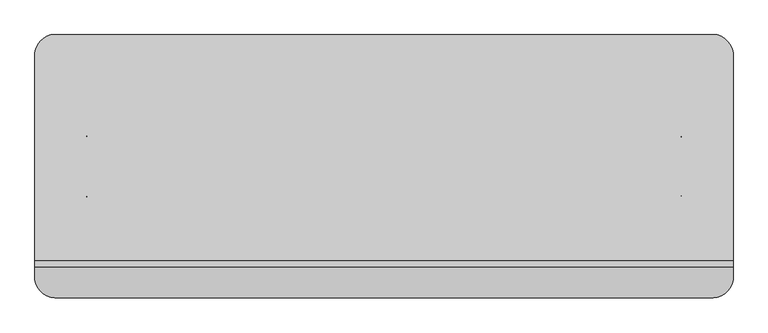
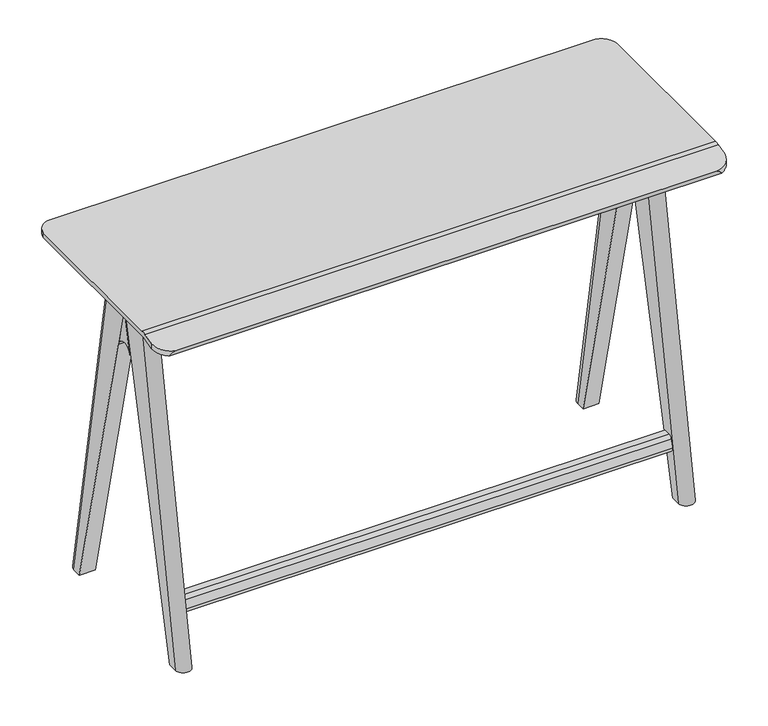
"""IFC4 building model written with IfcOpenShell, lengths in millimetres: furniture geometry."""

import ifcopenshell
import ifcopenshell.guid

model = None  # the IFC model being written
_history = None  # IfcOwnerHistory: only IFC2X3 demands one
_inside = {}  # id of a spatial element -> (the spatial element, [elements in it])
_under = {}  # id of a project, library or spatial element -> (it, [spatial elements below it])
_declared = {}  # id of a project -> (the project, [libraries it declares])
_typed = {}  # id of a type object -> (the type object, [elements of that type])
_made_of = {}  # id of a material, layer set ... -> (it, [elements and type objects made of it])


def new_model(schema):
    """Start an empty IFC model of exactly this schema.

    Asked for "IFC4X3", IfcOpenShell would pick the latest addendum, in which some entities
    have other attributes; the version numbers below select the first issue.
    IFC2X3 requires an IfcOwnerHistory on every rooted entity: one is made here for all.
    """
    global model, _history
    if schema == "IFC4X3":
        model = ifcopenshell.file(schema_version=(4, 3, 0, 0))
    else:
        model = ifcopenshell.file(schema=schema)
    _inside.clear()
    _under.clear()
    _declared.clear()
    _typed.clear()
    _made_of.clear()
    _history = None
    if model.schema == "IFC2X3":
        org = make("IfcOrganization", Name="unknown")
        user = make(
            "IfcPersonAndOrganization",
            ThePerson=make("IfcPerson", FamilyName="unknown"),
            TheOrganization=org,
        )
        app = make(
            "IfcApplication",
            ApplicationDeveloper=org,
            Version="unknown",
            ApplicationFullName="unknown",
            ApplicationIdentifier="unknown",
        )
        _history = make(
            "IfcOwnerHistory",
            OwningUser=user,
            OwningApplication=app,
            ChangeAction="ADDED",
            CreationDate=0,
        )
    return model


def make(cls, **values):
    """One entity of the class cls with the attributes given. An attribute that is None is left unset."""
    return model.create_entity(
        cls, **{name: value for name, value in values.items() if value is not None}
    )


def rooted(cls, **values):
    """An entity with a GlobalId (a new one), such as an element, a storey or a relation."""
    return make(cls, GlobalId=ifcopenshell.guid.new(), OwnerHistory=_history, **values)


def si_unit(unit_type, name, prefix=None):
    """IfcSIUnit, for example si_unit("LENGTHUNIT", "METRE", prefix="MILLI")."""
    return make("IfcSIUnit", UnitType=unit_type, Prefix=prefix, Name=name)


def assignment(units):
    """IfcUnitAssignment: the units of a project."""
    return None if units is None else make("IfcUnitAssignment", Units=units)


def point(xyz):
    """IfcCartesianPoint."""
    return None if xyz is None else make("IfcCartesianPoint", Coordinates=xyz)


def direction(xyz):
    """IfcDirection."""
    return None if xyz is None else make("IfcDirection", DirectionRatios=xyz)


def frame(location, z_axis=None, x_axis=None):
    """IfcAxis2Placement3D, a coordinate frame: its origin and axes. An axis left out is left unset."""
    return make(
        "IfcAxis2Placement3D",
        Location=point(location),
        Axis=direction(z_axis),
        RefDirection=direction(x_axis),
    )


def frame_2d(location, x_axis=None):
    """IfcAxis2Placement2D, a coordinate frame in the plane: its origin and x axis."""
    return make(
        "IfcAxis2Placement2D", Location=point(location), RefDirection=direction(x_axis)
    )


def origin():
    """The frame at (0, 0, 0) with its axes left unset."""
    return frame((0.0, 0.0, 0.0))


def place(relative_to, where):
    """IfcLocalPlacement: puts the frame where relative to a parent placement (None: the world)."""
    return make(
        "IfcLocalPlacement", PlacementRelTo=relative_to, RelativePlacement=where
    )


def context(
    kind, dimensions, precision=None, world=None, true_north=None, identifier=None
):
    """IfcGeometricRepresentationContext, for example the 3D "Model" context."""
    return make(
        "IfcGeometricRepresentationContext",
        ContextIdentifier=identifier,
        ContextType=kind,
        CoordinateSpaceDimension=dimensions,
        Precision=precision,
        WorldCoordinateSystem=world,
        TrueNorth=true_north,
    )


def project(units=None, contexts=None):
    """IfcProject with its units and contexts."""
    return rooted(
        "IfcProject",
        Name="project",
        RepresentationContexts=contexts,
        UnitsInContext=assignment(units),
    )


def spatial(cls, under=None, at=None, **own):
    """A site, building, storey or space (cls), placed at a placement, below another one or the project."""
    s = rooted(cls, ObjectPlacement=at, **own)
    if under is not None:
        _under.setdefault(under.id(), (under, []))[1].append(s)
    return s


def polyline(points):
    """IfcPolyline through the points."""
    return make("IfcPolyline", Points=[point(p) for p in points])


def circle_curve(where, radius):
    """IfcCircle in the frame where."""
    return make("IfcCircle", Position=where, Radius=radius)


def ellipse_curve(where, semi_axis1, semi_axis2):
    """IfcEllipse in the frame where."""
    return make(
        "IfcEllipse", Position=where, SemiAxis1=semi_axis1, SemiAxis2=semi_axis2
    )


def trimmed(basis, trim1, trim2, sense, master):
    """IfcTrimmedCurve: the piece of a basis curve between two trims."""
    return make(
        "IfcTrimmedCurve",
        BasisCurve=basis,
        Trim1=trim1,
        Trim2=trim2,
        SenseAgreement=sense,
        MasterRepresentation=master,
    )


def segment(curve, same_sense, transition):
    """IfcCompositeCurveSegment."""
    return make(
        "IfcCompositeCurveSegment",
        Transition=transition,
        SameSense=same_sense,
        ParentCurve=curve,
    )


def composite_curve(segments, self_intersect=None):
    """IfcCompositeCurve: segments joined end to end."""
    return make("IfcCompositeCurve", Segments=segments, SelfIntersect=self_intersect)


def outline(outer, holes=None, kind="AREA"):
    """IfcArbitraryClosedProfileDef: a profile drawn as a closed curve; with holes, ...WithVoids."""
    if holes is None:
        return make("IfcArbitraryClosedProfileDef", ProfileType=kind, OuterCurve=outer)
    return make(
        "IfcArbitraryProfileDefWithVoids",
        ProfileType=kind,
        OuterCurve=outer,
        InnerCurves=holes,
    )


def extrude(swept, where, along, depth):
    """IfcExtrudedAreaSolid: the profile swept, set in the frame where, extruded along a direction by depth."""
    return make(
        "IfcExtrudedAreaSolid",
        SweptArea=swept,
        Position=where,
        ExtrudedDirection=direction(along),
        Depth=depth,
    )


def shape(context_of_items, identifier, shape_type, items):
    """IfcShapeRepresentation: the items that make up one representation, for example the "Body"."""
    return make(
        "IfcShapeRepresentation",
        ContextOfItems=context_of_items,
        RepresentationIdentifier=identifier,
        RepresentationType=shape_type,
        Items=items,
    )


def source(mapping_origin, context_of_items, identifier, shape_type, items):
    """IfcRepresentationMap: a shape defined once, which mapped items show again and again."""
    return make(
        "IfcRepresentationMap",
        MappingOrigin=mapping_origin,
        MappedRepresentation=shape(context_of_items, identifier, shape_type, items),
    )


def transform(
    local_origin,
    x_axis=None,
    y_axis=None,
    z_axis=None,
    scale=None,
    scale2=None,
    scale3=None,
    uniform=True,
):
    """IfcCartesianTransformationOperator3D, or its non-uniform kind. x_axis, y_axis, z_axis: its Axis1, 2, 3."""
    if uniform:
        return make(
            "IfcCartesianTransformationOperator3D",
            Axis1=direction(x_axis),
            Axis2=direction(y_axis),
            LocalOrigin=point(local_origin),
            Scale=scale,
            Axis3=direction(z_axis),
        )
    return make(
        "IfcCartesianTransformationOperator3DnonUniform",
        Axis1=direction(x_axis),
        Axis2=direction(y_axis),
        LocalOrigin=point(local_origin),
        Scale=scale,
        Axis3=direction(z_axis),
        Scale2=scale2,
        Scale3=scale3,
    )


def mapped(mapping_source, mapping_target):
    """IfcMappedItem: shows the shape of a source again, moved by a transform."""
    return make(
        "IfcMappedItem", MappingSource=mapping_source, MappingTarget=mapping_target
    )


def made_of(thing, what):
    """Note that an element or type object is made of a material, layer set ...; save() writes the relation."""
    if what is not None:
        _made_of.setdefault(what.id(), (what, []))[1].append(thing)
    return thing


def element(
    cls,
    number,
    at=None,
    inside=None,
    cuts=None,
    type_object=None,
    material=None,
    context=None,
    identifier="Body",
    shape_type=None,
    held_by="IfcProductDefinitionShape",
    body=None,
    shapes=None,
    **own,
):
    """One element of the class cls, such as IfcWall. Its Tag is "e" and its number.

    at: its placement. inside: the storey or other place that contains it. cuts: it is an
    opening in that element (IfcRelVoidsElement). A single representation is given by context,
    identifier, shape_type and body (its items); several are given by shapes. held_by: the class
    of the entity that holds the representations. save() writes the other relations.
    """
    e = rooted(cls, Tag="e%d" % number, ObjectPlacement=at, **own)
    if body is not None:
        shapes = [shape(context, identifier, shape_type, body)]
    if shapes is not None:
        e.Representation = make(held_by, Representations=shapes)
    if inside is not None:
        _inside.setdefault(inside.id(), (inside, []))[1].append(e)
    if cuts is not None:
        rooted(
            "IfcRelVoidsElement", RelatingBuildingElement=cuts, RelatedOpeningElement=e
        )
    if type_object is not None:
        _typed.setdefault(type_object.id(), (type_object, []))[1].append(e)
    return made_of(e, material)


def aggregate(whole, parts):
    """IfcRelAggregates: a whole, such as a stair, and the parts it consists of."""
    return rooted("IfcRelAggregates", RelatingObject=whole, RelatedObjects=parts)


def save(model, path):
    """Write the relations noted so far, then the file.

    IfcRelAggregates (storeys below a building ...), IfcRelContainedInSpatialStructure (elements
    in a storey), IfcRelDefinesByType, IfcRelAssociatesMaterial and IfcRelDeclares: one each for
    every whole, place, type object, material and project.
    """
    for whole, parts in _under.values():
        aggregate(whole, parts)
    for where, things in _inside.values():
        rooted(
            "IfcRelContainedInSpatialStructure",
            RelatedElements=things,
            RelatingStructure=where,
        )
    for kind, things in _typed.values():
        rooted("IfcRelDefinesByType", RelatedObjects=things, RelatingType=kind)
    for what, things in _made_of.values():
        rooted("IfcRelAssociatesMaterial", RelatedObjects=things, RelatingMaterial=what)
    for by, libraries in _declared.values():
        rooted("IfcRelDeclares", RelatingContext=by, RelatedDefinitions=libraries)
    model.write(path)


def plane_surface(at):
    """IfcPlane: the flat surface through the origin of the frame at, square to its z axis."""
    return make("IfcPlane", Position=at)


def cylinder_surface(at, radius):
    """IfcCylindricalSurface: all points at the distance radius from the z axis of the frame at."""
    return make("IfcCylindricalSurface", Position=at, Radius=radius)


def revolved_surface(curve, axis_point, axis_direction):
    """IfcSurfaceOfRevolution: the curve turned about the line through axis_point along axis_direction."""
    return make(
        "IfcSurfaceOfRevolution",
        SweptCurve=make("IfcArbitraryOpenProfileDef", ProfileType="CURVE", Curve=curve),
        AxisPosition=make("IfcAxis1Placement", Location=point(axis_point), Axis=direction(axis_direction)),
    )


def extruded_surface(curve, direction_of_extrusion, depth):
    """IfcSurfaceOfLinearExtrusion: the curve pushed along a direction by depth."""
    return make(
        "IfcSurfaceOfLinearExtrusion",
        SweptCurve=make("IfcArbitraryOpenProfileDef", ProfileType="CURVE", Curve=curve),
        ExtrudedDirection=direction(direction_of_extrusion),
        Depth=depth,
    )


def advanced_brep(points, edges, surfaces, faces):
    """IfcAdvancedBrep: a solid bounded by faces that lie on surfaces and meet in shared edges.

    An edge is (start, end): straight between two places in points (the first is 0);
    or (start, end, curve); or (start, end, curve, False) where it runs against its curve.
    A face is (place in surfaces, loops), or (place, loops, False) where it looks against
    its surface's normal. A loop lists edges by number (the first is 1), with a minus sign
    where the edge is run from its end to its start. The first loop is the outer one.
    """
    corners = [point(p) for p in points]
    vertices = [make("IfcVertexPoint", VertexGeometry=c) for c in corners]
    made = []
    for start, end, *more in edges:
        made.append(
            make(
                "IfcEdgeCurve",
                EdgeStart=vertices[start],
                EdgeEnd=vertices[end],
                EdgeGeometry=more[0] if more else make("IfcPolyline", Points=[corners[start], corners[end]]),
                SameSense=more[1] if len(more) > 1 else True,
            )
        )
    hull = []
    for where, loops, *sense in faces:
        bounds = []
        for j, loop in enumerate(loops):
            ring = [make("IfcOrientedEdge", EdgeElement=made[abs(k) - 1], Orientation=k > 0) for k in loop]
            bounds.append(
                make(
                    "IfcFaceOuterBound" if j == 0 else "IfcFaceBound",
                    Bound=make("IfcEdgeLoop", EdgeList=ring),
                    Orientation=True,
                )
            )
        hull.append(make("IfcAdvancedFace", Bounds=bounds, FaceSurface=surfaces[where], SameSense=sense[0] if sense else True))
    return make("IfcAdvancedBrep", Outer=make("IfcClosedShell", CfsFaces=hull))


def furniture_6501cc0c(model_context):
    return source(origin(), model_context, "Body", "SolidModel", [
        advanced_brep(
        [(655.3200291, 57.0176623, 897.8989601), (615.9499758, 57.0176623, 897.8989601), (615.9499758, -65.0775438, 897.8989601), (655.3200291, -65.0775438, 897.8989601), (655.3200291, 191.9189393, 0.0), (615.9499758, 191.9189393, 0.0), (615.9499758, 216.1994703, 0.0), (655.3200291, 216.1994703, 0.0), (655.3200291, -224.2593519, 0.0), (655.3200291, -199.9788209, 0.0), (655.3200291, -4.0299408, 833.4496984), (615.9499758, -4.0299408, 833.4496984), (615.9499758, -199.9788209, 0.0), (615.9499758, -224.2593519, 0.0)],
        [
            (0, 1, circle_curve(frame((635.6350024, 57.0176623, 897.8989601), z_axis=(0.0, 0.0, 1.0), x_axis=(1.0, 0.0, 0.0)), 19.6850266)),
            (1, 2),
            (2, 3, circle_curve(frame((635.6350024, -65.0775438, 897.8989601), z_axis=(0.0, 0.0, 1.0), x_axis=(1.0, 0.0, 0.0)), 19.6850266)),
            (3, 0),
            (4, 5),
            (5, 6),
            (6, 7, circle_curve(frame((635.6350024, 216.1994703, 0.0), z_axis=(0.0, 0.0, -1.0), x_axis=(1.0, 0.0, 0.0)), 19.6850266)),
            (7, 4),
            (7, 0),
            (3, 8),
            (8, 9),
            (9, 10),
            (10, 4),
            (6, 1),
            (5, 11),
            (11, 12),
            (12, 13),
            (13, 2),
            (10, 11),
            (8, 13, circle_curve(frame((635.6350024, -224.2593519, 0.0), z_axis=(0.0, 0.0, -1.0), x_axis=(1.0, 0.0, 0.0)), 19.6850266)),
            (12, 9),
        ],
        [
            plane_surface(frame((635.6350024, 18.9176623, 897.8989601), z_axis=(0.0, 0.0, 1.0), x_axis=(0.0, 1.0, 0.0))),
            plane_surface(frame((635.6350024, 204.0592048, 0.0), z_axis=(0.0, 0.0, -1.0), x_axis=(0.0, 1.0, 0.0))),
            plane_surface(frame((655.3200291, 204.0592048, 0.0), z_axis=(1.0, 0.0, 0.0), x_axis=(0.0, 1.0, 0.0))),
            extruded_surface(trimmed(circle_curve(frame((635.6350024, 216.1994703, 0.0), z_axis=(0.0, 0.0, 1.0), x_axis=(1.0, 0.0, 0.0)), 19.6850266), [point((655.3200291, 216.1994703, 0.0))], [point((615.9499758, 216.1994703, 0.0))], True, "CARTESIAN"), (0.0, -159.181808, 897.8989601), 911.8998796725494),
            plane_surface(frame((615.9499758, 204.0592048, 0.0), z_axis=(-1.0, 0.0, 0.0), x_axis=(0.0, -1.0, 0.0))),
            plane_surface(frame((635.6350024, 191.9189393, 0.0), z_axis=(0.0, -0.9734580183054018, -0.2288656518504253), x_axis=(1.0, 0.0, 0.0))),
            plane_surface(frame((635.6350024, -212.1190864, 0.0), z_axis=(0.0, 0.0, -1.0), x_axis=(0.0, 1.0, 0.0))),
            extruded_surface(trimmed(circle_curve(frame((635.6350024, -224.2593519, 0.0), z_axis=(0.0, 0.0, 1.0), x_axis=(1.0, 0.0, 0.0)), 19.6850266), [point((615.9499758, -224.2593519, 0.0))], [point((655.3200291, -224.2593519, 0.0))], True, "CARTESIAN"), (0.0, 159.1818081, 897.8989601), 911.8998796900055),
            plane_surface(frame((635.6350024, -199.9788209, 0.0), z_axis=(0.0, 0.9734580183054018, -0.22886565185042526), x_axis=(-1.0, 0.0, 0.0))),
        ],
        [
            (0, [[1, 2, 3, 4]]),
            (1, [[5, 6, 7, 8]]),
            (2, [[-8, 9, -4, 10, 11, 12, 13]]),
            (3, [[-1, -9, -7, 14]]),
            (4, [[-6, 15, 16, 17, 18, -2, -14]]),
            (5, [[-5, -13, 19, -15]]),
            (6, [[-11, 20, -17, 21]]),
            (7, [[-3, -18, -20, -10]]),
            (8, [[-21, -16, -19, -12]]),
        ],
    ),
        advanced_brep(
        [(615.9499758, -27.6015688, 722.3158261), (615.9499758, -4.0299408, 831.5084127), (615.9499758, 19.5416873, 722.3158261), (655.3200291, -27.6015688, 722.3158261), (655.3200291, 19.5416873, 722.3158261), (655.3200291, -4.0299408, 831.5084127)],
        [
            (0, 1),
            (1, 2),
            (2, 0, circle_curve(frame((615.9499758, -4.0299408, 717.2273703), z_axis=(1.0, 0.0, 0.0), x_axis=(0.0, 0.0, 1.0)), 24.114602)),
            (3, 4, circle_curve(frame((655.3200291, -4.0299408, 717.2273703), z_axis=(-1.0, 0.0, 0.0), x_axis=(0.0, 0.0, 1.0)), 24.114602)),
            (4, 5),
            (5, 3),
            (2, 4),
            (3, 0),
            (1, 5),
        ],
        [
            plane_surface(frame((615.9499758, -4.0299408, 831.5084127), z_axis=(-1.0000000000000002, 0.0, 0.0), x_axis=(0.0, 0.2110113935352154, 0.9774836018053329))),
            plane_surface(frame((655.3200291, -4.0299408, 831.5084127), z_axis=(1.0000000000000002, 0.0, 0.0), x_axis=(0.0, -0.2110113935352154, -0.9774836018053329))),
            revolved_surface(polyline([(655.3200291, -4.0299408, 741.3419723), (615.9499758, -4.0299408, 741.3419723)]), (655.3200291, -4.0299408, 717.2273703), (1.0, 0.0, 0.0)),
            plane_surface(frame((615.9499758, -4.0299408, 831.5084127), z_axis=(0.0, 0.9774836018050144, 0.2110113935366907), x_axis=(1.0, 0.0, 0.0))),
            plane_surface(frame((615.9499758, -27.6015688, 722.3158261), z_axis=(0.0, -0.9774836018053329, 0.2110113935352154), x_axis=(1.0, 0.0, 0.0))),
        ],
        [
            (0, [[1, 2, 3]]),
            (1, [[4, 5, 6]]),
            (2, [[-3, 7, -4, 8]]),
            (3, [[-2, 9, -5, -7]]),
            (4, [[-1, -8, -6, -9]]),
        ],
    ),
        extrude(outline(composite_curve([segment(polyline([(-16.646034, 814.3175291), (-39.0416109, 897.8989601), (-169.5266749, 897.8989601), (-169.5266749, 901.7), (161.4667933, 901.7), (161.4667933, 897.8989601), (30.9563433, 897.8989601), (8.5607664, 814.3175291)]), True, "CONTINUOUS"), segment(trimmed(circle_curve(frame_2d((-4.0426338, 817.6946)), 13.048), [point((8.5607664, 814.3175291))], [point((-16.646034, 814.3175291))], False, "CARTESIAN"), True, "CONTINUOUS")], self_intersect=False)), frame((-615.9499758, 0.0, 0.0), z_axis=(1.0, 0.0, 0.0), x_axis=(0.0, 1.0, 0.0)), (0.0, 0.0, 1.0), 1231.8999516),
        extrude(outline(composite_curve([segment(polyline([(-166.9816889, 160.7565938), (-166.9820341, 157.7085968), (-184.6189201, 157.7105964)]), True, "CONTINUOUS"), segment(trimmed(circle_curve(frame_2d((-184.6196401, 151.3605965)), 6.35), [point((-184.6189201, 157.7105964))], [point((-190.7035518, 153.1795298))], True, "CARTESIAN"), True, "CONTINUOUS"), segment(polyline([(-190.7035518, 153.1795298), (-197.0442848, 131.9712423)]), True, "CONTINUOUS"), segment(trimmed(circle_curve(frame_2d((-190.9603731, 130.1523091)), 6.35), [point((-197.0442848, 131.9712423))], [point((-190.9610909, 123.8023091))], True, "CARTESIAN"), True, "CONTINUOUS"), segment(polyline([(-190.9610909, 123.8023091), (-175.3678594, 123.8005466), (-175.3682046, 120.7525495), (-190.7909312, 120.7542927)]), True, "CONTINUOUS"), segment(trimmed(circle_curve(frame_2d((-190.7898546, 130.2792927)), 9.525), [point((-190.7909312, 120.7542927))], [point((-199.9157225, 133.0076915))], False, "CARTESIAN"), True, "CONTINUOUS"), segment(polyline([(-199.9157225, 133.0076915), (-193.6509309, 153.9619817)]), True, "CONTINUOUS"), segment(trimmed(circle_curve(frame_2d((-184.525063, 151.2335829)), 9.525), [point((-193.6509309, 153.9619817))], [point((-184.5239831, 160.7585828))], False, "CARTESIAN"), True, "CONTINUOUS"), segment(polyline([(-184.5239831, 160.7585828), (-166.9816889, 160.7565938)]), True, "CONTINUOUS")], self_intersect=False)), frame((-615.9499758, 0.0, 0.0), z_axis=(1.0, 0.0, 0.0), x_axis=(0.0, 1.0, 0.0)), (0.0, 0.0, 1.0), 1231.8999516),
        advanced_brep(
        [(-655.3200291, -66.3753978, 897.8989601), (-615.9499758, -66.3753978, 897.8989601), (-615.9499758, 57.8759093, 897.8989601), (-655.3200291, 57.8759093, 897.8989601), (-655.3200291, -201.2766749, -0.4664589), (-615.9499758, -201.2766749, -0.4664589), (-615.9499758, -225.5572059, -0.4664589), (-655.3200291, -225.5572059, -0.4664589), (-655.3200291, 217.0577174, 2.42e-05), (-655.3200291, 192.7771863, 2.42e-05), (-655.3200291, -4.2460892, 838.0195377), (-615.9499758, -4.2460892, 838.0195377), (-615.9499758, 192.7771863, 2.42e-05), (-615.9499758, 217.0577174, 2.42e-05)],
        [
            (0, 1, circle_curve(frame((-635.6350024, -66.3753978, 897.8989601), z_axis=(0.0, 0.0, 1.0), x_axis=(-1.0, 0.0, 0.0)), 19.6850266)),
            (1, 2),
            (2, 3, circle_curve(frame((-635.6350024, 57.8759093, 897.8989601), z_axis=(0.0, 0.0, 1.0), x_axis=(-1.0, 0.0, 0.0)), 19.6850266)),
            (3, 0),
            (4, 5),
            (5, 6),
            (6, 7, circle_curve(frame((-635.6350024, -225.5572059, -0.4664589), z_axis=(0.0, 0.0, -1.0), x_axis=(-1.0, 0.0, 0.0)), 19.6850266)),
            (7, 4),
            (7, 0),
            (3, 8),
            (8, 9),
            (9, 10),
            (10, 4),
            (6, 1),
            (5, 11),
            (11, 12),
            (12, 13),
            (13, 2),
            (10, 11),
            (8, 13, circle_curve(frame((-635.6350024, 217.0577174, 2.42e-05), z_axis=(0.0, 0.0, -1.0), x_axis=(-1.0, 0.0, 0.0)), 19.6850266)),
            (12, 9),
        ],
        [
            plane_surface(frame((-635.6350024, -28.2753978, 897.8989601), z_axis=(0.0, 0.0, 1.0), x_axis=(0.0, -1.0, 0.0))),
            plane_surface(frame((-635.6350024, -213.4169404, -0.4664589), z_axis=(0.0, 0.0, -1.0), x_axis=(0.0, -1.0, 0.0))),
            plane_surface(frame((-655.3200291, -213.4169404, -0.4664589), z_axis=(-1.0, 0.0, 0.0), x_axis=(0.0, -1.0, 0.0))),
            extruded_surface(trimmed(circle_curve(frame((-635.6350024, -225.5572059, -0.4664589), z_axis=(0.0, 0.0, 1.0), x_axis=(-1.0, 0.0, 0.0)), 19.6850266), [point((-655.3200291, -225.5572059, -0.4664589))], [point((-615.9499758, -225.5572059, -0.4664589))], True, "CARTESIAN"), (0.0, 159.1818081, 898.365419), 912.35918041363),
            plane_surface(frame((-615.9499758, -213.4169404, -0.4664589), z_axis=(1.0, 0.0, 0.0), x_axis=(0.0, 1.0, 0.0))),
            plane_surface(frame((-635.6350024, -201.2766749, -0.4664589), z_axis=(0.0, 0.973484487683832, -0.22875303766058963), x_axis=(-1.0, 0.0, 0.0))),
            plane_surface(frame((-635.6350024, 204.9174519, 2.42e-05), z_axis=(0.0, 0.0, -1.0), x_axis=(0.0, -1.0, 0.0))),
            extruded_surface(trimmed(circle_curve(frame((-635.6350024, 217.0577174, 2.42e-05), z_axis=(0.0, 0.0, 1.0), x_axis=(-1.0, 0.0, 0.0)), 19.6850266), [point((-615.9499758, 217.0577174, 2.42e-05))], [point((-655.3200291, 217.0577174, 2.42e-05))], True, "CARTESIAN"), (0.0, -159.1818081, 897.8989359), 911.899855861562),
            plane_surface(frame((-635.6350024, 192.7771863, 2.42e-05), z_axis=(0.0, -0.9734580169298295, -0.22886565770128964), x_axis=(1.0, 0.0, 0.0))),
        ],
        [
            (0, [[1, 2, 3, 4]]),
            (1, [[5, 6, 7, 8]]),
            (2, [[-8, 9, -4, 10, 11, 12, 13]]),
            (3, [[-1, -9, -7, 14]]),
            (4, [[-6, 15, 16, 17, 18, -2, -14]]),
            (5, [[-5, -13, 19, -15]]),
            (6, [[-11, 20, -17, 21]]),
            (7, [[-3, -18, -20, -10]]),
            (8, [[-21, -16, -19, -12]]),
        ],
    ),
        advanced_brep(
        [(-615.9499758, -27.6015688, 722.3158261), (-615.9499758, 19.5416873, 722.3158261), (-615.9499758, -4.0299408, 831.5084127), (-655.3200291, -27.6015688, 722.3158261), (-655.3200291, -4.0299408, 831.5084127), (-655.3200291, 19.5416873, 722.3158261)],
        [
            (0, 1, circle_curve(frame((-615.9499758, -4.0299408, 717.2273703), z_axis=(-1.0, 0.0, 0.0), x_axis=(0.0, 0.0, 1.0)), 24.114602)),
            (1, 2),
            (2, 0),
            (3, 4),
            (4, 5),
            (5, 3, circle_curve(frame((-655.3200291, -4.0299408, 717.2273703), z_axis=(1.0, 0.0, 0.0), x_axis=(0.0, 0.0, 1.0)), 24.114602)),
            (0, 3),
            (5, 1),
            (4, 2),
        ],
        [
            plane_surface(frame((-615.9499758, -4.0299408, 741.3419723), z_axis=(1.0, 0.0, 0.0), x_axis=(0.0, 1.0, 0.0))),
            plane_surface(frame((-655.3200291, -4.0299408, 741.3419723), z_axis=(-1.0, 0.0, 0.0), x_axis=(0.0, -1.0, 0.0))),
            revolved_surface(polyline([(-655.3200291, -4.0299408, 741.3419723), (-615.9499758, -4.0299408, 741.3419723)]), (-655.3200291, -4.0299408, 717.2273703), (-1.0, 0.0, 0.0)),
            plane_surface(frame((-615.9499758, 19.5416873, 722.3158261), z_axis=(0.0, 0.9774836018050146, 0.21101139353669018), x_axis=(-1.0, 0.0, 0.0))),
            plane_surface(frame((-615.9499758, -4.0299408, 831.5084127), z_axis=(0.0, -0.9774836018053328, 0.21101139353521609), x_axis=(-1.0, 0.0, 0.0))),
        ],
        [
            (0, [[1, 2, 3]]),
            (1, [[4, 5, 6]]),
            (2, [[-1, 7, -6, 8]]),
            (3, [[-2, -8, -5, 9]]),
            (4, [[-3, -9, -4, -7]]),
        ],
    ),
        advanced_brep(
        [(723.9, -199.3031026, 914.4), (723.9, -212.45111, 912.669032), (723.9, -239.7329895, 905.3588744), (723.9, -239.7329895, 892.2108669), (723.9, -210.7791233, 899.969032), (723.9, -197.6311158, 901.7), (723.9, 231.8022994, 901.7), (723.9, 231.8022994, 914.4), (-723.9, -197.6311158, 901.7), (-723.9, -210.7791233, 899.969032), (-723.9, -240.0018565, 892.1388242), (-723.9, -240.0018565, 905.2868317), (-723.9, -212.45111, 912.669032), (-723.9, -199.3031026, 914.4), (-723.9, 232.0764217, 914.4), (-723.9, 232.0764217, 901.7), (691.3191141, 269.0200532, 914.4), (-691.3574127, 269.0200532, 914.4), (-682.8108176, -276.9606035, 895.3837653), (-679.45, -276.9606035, 895.3837653), (679.4117014, -276.9606035, 895.3837653), (682.772519, -276.9606035, 895.3837653), (-697.7418129, -273.6736016, 883.1165073), (697.7035144, -273.6736016, 883.1165073), (-691.3574127, 269.0200532, 901.7), (691.3191141, 269.0200532, 901.7)],
        [
            (0, 1, circle_curve(frame((723.9, -199.3031026, 863.6), z_axis=(1.0, 0.0, 0.0), x_axis=(0.0, 0.0, 1.0)), 50.8)),
            (1, 2),
            (2, 3),
            (3, 4),
            (4, 5, circle_curve(frame((723.9, -197.6311158, 850.9), z_axis=(-1.0, 0.0, 0.0), x_axis=(0.0, 0.0, 1.0)), 50.8)),
            (5, 6),
            (6, 7),
            (7, 0),
            (8, 9, circle_curve(frame((-723.9, -197.6311158, 850.9), z_axis=(1.0, 0.0, 0.0), x_axis=(0.0, 0.0, 1.0)), 50.8)),
            (9, 10),
            (10, 11),
            (11, 12),
            (12, 13, circle_curve(frame((-723.9, -199.3031026, 863.6), z_axis=(-1.0, 0.0, 0.0), x_axis=(0.0, 0.0, 1.0)), 50.8)),
            (13, 14),
            (14, 15),
            (15, 8),
            (13, 0),
            (7, 16, circle_curve(frame((679.4117014, 225.7264217, 914.4), z_axis=(0.0, 0.0, 1.0), x_axis=(-1.0, 0.0, 0.0)), 44.9012806)),
            (16, 17),
            (17, 14, circle_curve(frame((-679.45, 225.7264217, 914.4), z_axis=(0.0, 0.0, 1.0), x_axis=(-1.0, 0.0, 0.0)), 44.9012806)),
            (12, 1),
            (11, 18, ellipse_curve(frame((-681.1304088, -233.7724086, 906.9560073), z_axis=(0.0, -0.25881904510254033, 0.9659258262890631), x_axis=(0.0, -0.9659258262890632, -0.25881904510253995)), 44.7455414, 43.220874)),
            (18, 19),
            (19, 20),
            (20, 21),
            (21, 2, ellipse_curve(frame((681.0921102, -233.7724086, 906.9560073), z_axis=(0.0, -0.25881904510254033, 0.9659258262890631), x_axis=(0.0, -0.9659258262890632, -0.25881904510253995)), 44.7455414, 43.220874)),
            (18, 22, ellipse_curve(frame((-681.1304088, -233.7724086, 734.2032277), z_axis=(0.0, -0.9659258262890693, -0.25881904510251713), x_axis=(0.0, 0.25881904510251713, -0.9659258262890693)), 166.9926338, 43.220874)),
            (22, 23),
            (23, 21, ellipse_curve(frame((681.0921102, -233.7724086, 734.2032277), z_axis=(0.0, -0.9659258262890693, -0.25881904510251713), x_axis=(0.0, 0.25881904510251713, -0.9659258262890693)), 166.9926338, 43.220874)),
            (9, 4),
            (3, 23, ellipse_curve(frame((681.0921102, -233.7724086, 893.8079998), z_axis=(0.0, 0.25881904510251713, -0.9659258262890693), x_axis=(0.0, -0.9659258262890693, -0.2588190451025168)), 44.7455414, 43.220874)),
            (22, 10, ellipse_curve(frame((-681.1304088, -233.7724086, 893.8079998), z_axis=(0.0, 0.25881904510251713, -0.9659258262890693), x_axis=(0.0, -0.9659258262890693, -0.2588190451025168)), 44.7455414, 43.220874)),
            (8, 5),
            (15, 24, circle_curve(frame((-679.45, 225.7264217, 901.7), z_axis=(0.0, 0.0, -1.0), x_axis=(-1.0, 0.0, 0.0)), 44.9012806)),
            (24, 25),
            (25, 6, circle_curve(frame((679.4117014, 225.7264217, 901.7), z_axis=(0.0, 0.0, -1.0), x_axis=(-1.0, 0.0, 0.0)), 44.9012806)),
            (16, 25),
            (24, 17),
        ],
        [
            plane_surface(frame((723.9, 269.0200532, 914.4), z_axis=(1.0, 0.0, 0.0), x_axis=(0.0, -1.0, 0.0))),
            plane_surface(frame((-723.9, 269.0200532, 914.4), z_axis=(-1.0, 0.0, 0.0), x_axis=(0.0, 1.0, 0.0))),
            plane_surface(frame((723.9, 269.0200532, 914.4), z_axis=(0.0, 0.0, 1.0), x_axis=(-1.0, 0.0, 0.0))),
            cylinder_surface(frame((-723.9, -199.3031026, 863.6), z_axis=(1.0, 0.0, 0.0), x_axis=(0.0, 0.0, 1.0)), 50.8),
            plane_surface(frame((723.9, -212.45111, 912.669032), z_axis=(0.0, -0.25881904510254033, 0.9659258262890631), x_axis=(-1.0, 0.0, 0.0))),
            plane_surface(frame((723.9, -276.9606035, 895.3837653), z_axis=(0.0, -0.9659258262890693, -0.25881904510251713), x_axis=(-1.0, 0.0, 0.0))),
            plane_surface(frame((723.9, -273.6736016, 883.1165073), z_axis=(0.0, 0.25881904510251713, -0.9659258262890693), x_axis=(-1.0, 0.0, 0.0))),
            revolved_surface(polyline([(-723.9, -197.6311158, 901.6999999999999), (723.9, -197.6311158, 901.6999999999999)]), (-723.9, -197.6311158, 850.9), (-1.0, 0.0, 0.0)),
            plane_surface(frame((723.9, -197.6311158, 901.7), z_axis=(0.0, 0.0, -1.0), x_axis=(-1.0, 0.0, 0.0))),
            plane_surface(frame((723.9, 269.0200532, 901.7), z_axis=(0.0, 1.0, 0.0), x_axis=(-1.0, 0.0, 0.0))),
            cylinder_surface(frame((-679.45, 225.7264217, 762.0), z_axis=(0.0, 0.0, -1.0), x_axis=(-1.0, 0.0, 0.0)), 44.9012806),
            cylinder_surface(frame((679.4117014, 225.7264217, 939.8), z_axis=(0.0, 0.0, -1.0), x_axis=(-1.0, 0.0, 0.0)), 44.9012806),
            cylinder_surface(frame((-681.1304088, -233.7724086, 939.8), z_axis=(0.0, 0.0, -1.0), x_axis=(-1.0, 0.0, 0.0)), 43.220874),
            cylinder_surface(frame((681.0921102, -233.7724086, 939.8), z_axis=(0.0, 0.0, -1.0), x_axis=(-1.0, 0.0, 0.0)), 43.220874),
        ],
        [
            (0, [[1, 2, 3, 4, 5, 6, 7, 8]]),
            (1, [[9, 10, 11, 12, 13, 14, 15, 16]]),
            (2, [[17, -8, 18, 19, 20, -14]]),
            (3, [[-1, -17, -13, 21]]),
            (4, [[-21, -12, 22, 23, 24, 25, 26, -2]]),
            (5, [[-23, 27, 28, 29, -25, -24]]),
            (6, [[30, -4, 31, -28, 32, -10]]),
            (7, [[-5, -30, -9, 33]]),
            (8, [[-33, -16, 34, 35, 36, -6]]),
            (9, [[-19, 37, -35, 38]]),
            (10, [[-15, -20, -38, -34]]),
            (11, [[-7, -36, -37, -18]]),
            (12, [[-11, -32, -27, -22]]),
            (13, [[-3, -26, -29, -31]]),
        ],
    ),
    ])


if __name__ == "__main__":
    model = new_model("IFC4")
    model_context = context("Model", 3, world=origin())
    ifc_project = project(units=[si_unit("LENGTHUNIT", "METRE", prefix="MILLI")], contexts=[model_context])
    site = spatial("IfcSite", under=ifc_project)
    building = spatial("IfcBuilding", under=site)
    placement = place(None, origin())
    furniture_shape = furniture_6501cc0c(model_context)
    element("IfcFurniture", 1, at=placement, inside=building, context=model_context, shape_type="MappedRepresentation", body=[
        mapped(furniture_shape, transform((0.0, 0.0, 0.0), x_axis=(1.0, 0.0, 0.0), y_axis=(0.0, 1.0, 0.0), z_axis=(0.0, 0.0, 1.0))),
    ])
    save(model, "model.ifc")
